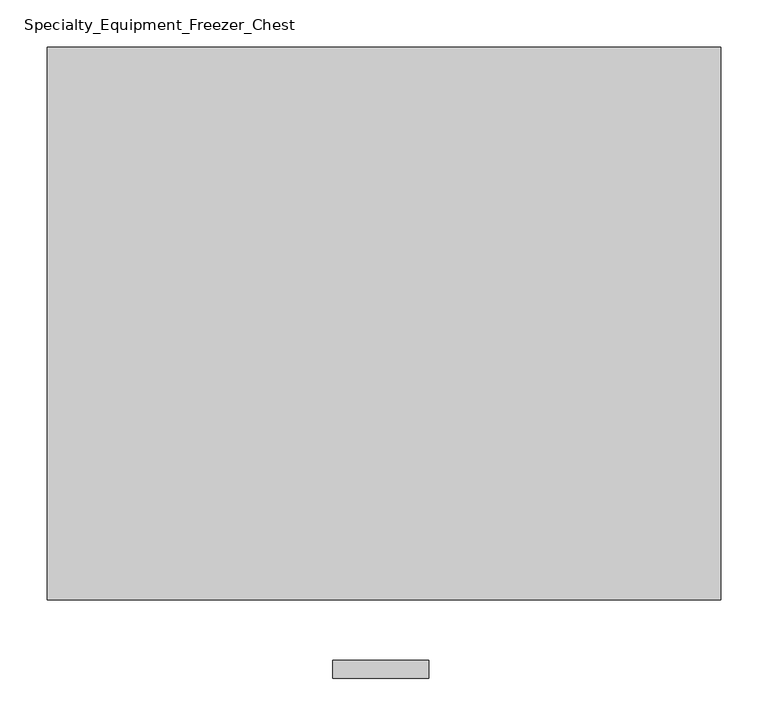
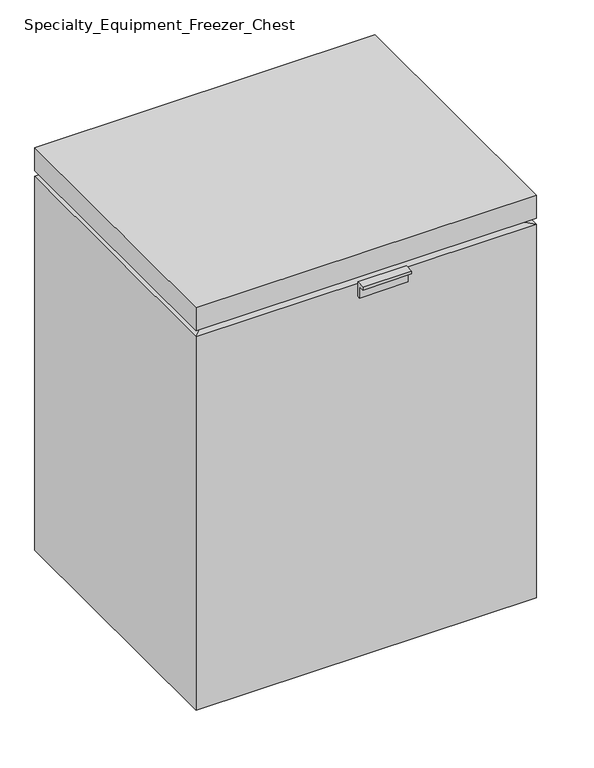
"""IFC4 building model written with IfcOpenShell, lengths in millimetres: proxy geometry, Specialty_Equipment_Freezer_Chest."""

from ifc_helpers import new_model, si_unit, frame, origin, place, context, project, spatial, polyline, outline, extrude, faceted_brep, source, transform, mapped, element, save


def specialty_equipment_freezer_chest_ddab388b(model_context):
    return source(origin(), model_context, "Body", "SolidModel", [
        faceted_brep([(355.6, 292.1, 889.0), (-355.6, 292.1, 889.0), (-355.6, -292.1, 889.0), (355.6, -292.1, 889.0), (355.6, 292.1, 0.0), (355.6, -292.1, 0.0), (-355.6, -292.1, 0.0), (-355.6, 292.1, 0.0), (355.6, 292.1, 838.2), (336.55, 292.1, 838.2), (336.55, 292.1, 825.5), (355.6, 292.1, 825.5), (-355.6, 292.1, 825.5), (-336.55, 292.1, 825.5), (-336.55, 292.1, 838.2), (-355.6, 292.1, 838.2), (-355.6, -292.1, 838.2), (-355.6, -292.1, 825.5), (355.6, -292.1, 838.2), (355.6, -292.1, 825.5), (336.55, -273.05, 838.2), (336.55, -273.05, 825.5), (-336.55, -273.05, 838.2), (-336.55, -273.05, 825.5)], [[[0, 1, 2, 3]], [[4, 5, 6, 7]], [[1, 0, 8, 9, 10, 11, 4, 7, 12, 13, 14, 15]], [[2, 1, 15, 16]], [[7, 6, 17, 12]], [[3, 2, 16, 18]], [[6, 5, 19, 17]], [[0, 3, 18, 8]], [[5, 4, 11, 19]], [[18, 20, 9, 8]], [[10, 21, 19, 11]], [[9, 20, 21, 10]], [[20, 18, 16, 22]], [[19, 21, 23, 17]], [[21, 20, 22, 23]], [[22, 16, 15, 14]], [[17, 23, 13, 12]], [[23, 22, 14, 13]]]),
        extrude(outline(polyline([(-355.6, 879.475), (-355.6, 847.8538878), (-361.95, 847.8538878), (-361.95, 873.2538878), (-374.65, 873.2538878), (-374.65, 879.475), (-355.6, 879.475)])), frame((-54.3302756, 0.0, 0.0), z_axis=(1.0, 0.0, 0.0), x_axis=(0.0, 1.0, 0.0)), (0.0, 0.0, 1.0), 101.6),
    ])


if __name__ == "__main__":
    model = new_model("IFC4")
    model_context = context("Model", 3, world=origin())
    ifc_project = project(units=[si_unit("LENGTHUNIT", "METRE", prefix="MILLI")], contexts=[model_context])
    site = spatial("IfcSite", under=ifc_project)
    building = spatial("IfcBuilding", under=site)
    placement = place(None, origin())
    specialty_equipment_freezer_chest_shape = specialty_equipment_freezer_chest_ddab388b(model_context)
    element("IfcBuildingElementProxy", 1, Name="Specialty_Equipment_Freezer_Chest", ObjectType="Specialty_Equipment_Freezer_Chest", at=placement, inside=building, context=model_context, shape_type="MappedRepresentation", body=[
        mapped(specialty_equipment_freezer_chest_shape, transform((0.0, 0.0, 0.0), x_axis=(1.0, 0.0, 0.0), y_axis=(0.0, 1.0, 0.0), z_axis=(0.0, 0.0, 1.0))),
    ])
    save(model, "model.ifc")
